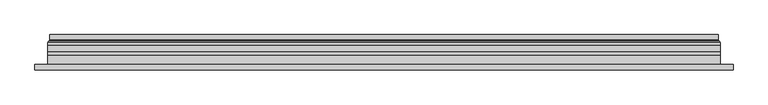
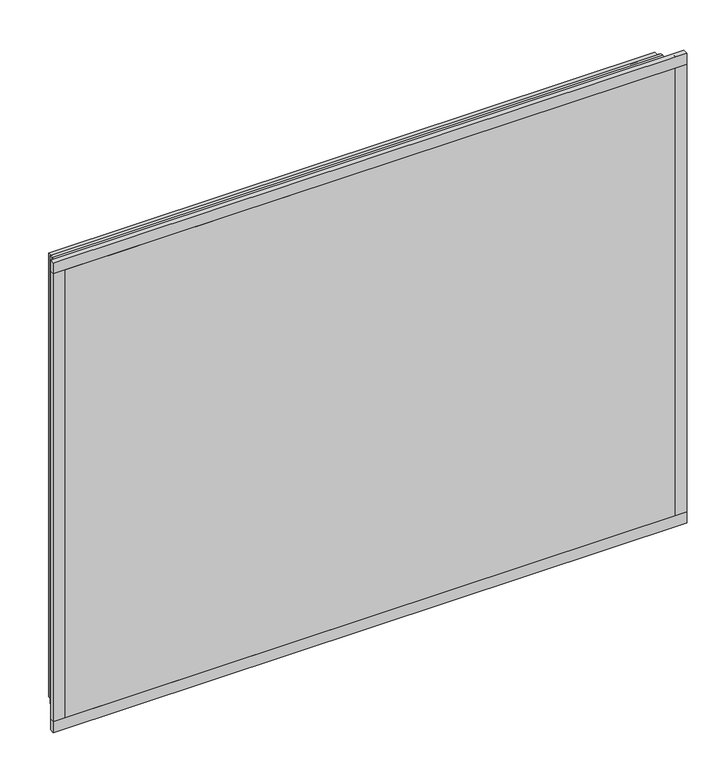
"""IFC4 building model written with IfcOpenShell, lengths in millimetres: plate geometry."""

import ifcopenshell
import ifcopenshell.guid

model = None  # the IFC model being written
_history = None  # IfcOwnerHistory: only IFC2X3 demands one
_inside = {}  # id of a spatial element -> (the spatial element, [elements in it])
_under = {}  # id of a project, library or spatial element -> (it, [spatial elements below it])
_declared = {}  # id of a project -> (the project, [libraries it declares])
_typed = {}  # id of a type object -> (the type object, [elements of that type])
_made_of = {}  # id of a material, layer set ... -> (it, [elements and type objects made of it])


def new_model(schema):
    """Start an empty IFC model of exactly this schema.

    Asked for "IFC4X3", IfcOpenShell would pick the latest addendum, in which some entities
    have other attributes; the version numbers below select the first issue.
    IFC2X3 requires an IfcOwnerHistory on every rooted entity: one is made here for all.
    """
    global model, _history
    if schema == "IFC4X3":
        model = ifcopenshell.file(schema_version=(4, 3, 0, 0))
    else:
        model = ifcopenshell.file(schema=schema)
    _inside.clear()
    _under.clear()
    _declared.clear()
    _typed.clear()
    _made_of.clear()
    _history = None
    if model.schema == "IFC2X3":
        org = make("IfcOrganization", Name="unknown")
        user = make(
            "IfcPersonAndOrganization",
            ThePerson=make("IfcPerson", FamilyName="unknown"),
            TheOrganization=org,
        )
        app = make(
            "IfcApplication",
            ApplicationDeveloper=org,
            Version="unknown",
            ApplicationFullName="unknown",
            ApplicationIdentifier="unknown",
        )
        _history = make(
            "IfcOwnerHistory",
            OwningUser=user,
            OwningApplication=app,
            ChangeAction="ADDED",
            CreationDate=0,
        )
    return model


def make(cls, **values):
    """One entity of the class cls with the attributes given. An attribute that is None is left unset."""
    return model.create_entity(
        cls, **{name: value for name, value in values.items() if value is not None}
    )


def rooted(cls, **values):
    """An entity with a GlobalId (a new one), such as an element, a storey or a relation."""
    return make(cls, GlobalId=ifcopenshell.guid.new(), OwnerHistory=_history, **values)


def si_unit(unit_type, name, prefix=None):
    """IfcSIUnit, for example si_unit("LENGTHUNIT", "METRE", prefix="MILLI")."""
    return make("IfcSIUnit", UnitType=unit_type, Prefix=prefix, Name=name)


def assignment(units):
    """IfcUnitAssignment: the units of a project."""
    return None if units is None else make("IfcUnitAssignment", Units=units)


def point(xyz):
    """IfcCartesianPoint."""
    return None if xyz is None else make("IfcCartesianPoint", Coordinates=xyz)


def direction(xyz):
    """IfcDirection."""
    return None if xyz is None else make("IfcDirection", DirectionRatios=xyz)


def frame(location, z_axis=None, x_axis=None):
    """IfcAxis2Placement3D, a coordinate frame: its origin and axes. An axis left out is left unset."""
    return make(
        "IfcAxis2Placement3D",
        Location=point(location),
        Axis=direction(z_axis),
        RefDirection=direction(x_axis),
    )


def origin():
    """The frame at (0, 0, 0) with its axes left unset."""
    return frame((0.0, 0.0, 0.0))


def place(relative_to, where):
    """IfcLocalPlacement: puts the frame where relative to a parent placement (None: the world)."""
    return make(
        "IfcLocalPlacement", PlacementRelTo=relative_to, RelativePlacement=where
    )


def context(
    kind, dimensions, precision=None, world=None, true_north=None, identifier=None
):
    """IfcGeometricRepresentationContext, for example the 3D "Model" context."""
    return make(
        "IfcGeometricRepresentationContext",
        ContextIdentifier=identifier,
        ContextType=kind,
        CoordinateSpaceDimension=dimensions,
        Precision=precision,
        WorldCoordinateSystem=world,
        TrueNorth=true_north,
    )


def project(units=None, contexts=None):
    """IfcProject with its units and contexts."""
    return rooted(
        "IfcProject",
        Name="project",
        RepresentationContexts=contexts,
        UnitsInContext=assignment(units),
    )


def spatial(cls, under=None, at=None, **own):
    """A site, building, storey or space (cls), placed at a placement, below another one or the project."""
    s = rooted(cls, ObjectPlacement=at, **own)
    if under is not None:
        _under.setdefault(under.id(), (under, []))[1].append(s)
    return s


def polyline(points):
    """IfcPolyline through the points."""
    return make("IfcPolyline", Points=[point(p) for p in points])


def ellipse_curve(where, semi_axis1, semi_axis2):
    """IfcEllipse in the frame where."""
    return make(
        "IfcEllipse", Position=where, SemiAxis1=semi_axis1, SemiAxis2=semi_axis2
    )


def outline(outer, holes=None, kind="AREA"):
    """IfcArbitraryClosedProfileDef: a profile drawn as a closed curve; with holes, ...WithVoids."""
    if holes is None:
        return make("IfcArbitraryClosedProfileDef", ProfileType=kind, OuterCurve=outer)
    return make(
        "IfcArbitraryProfileDefWithVoids",
        ProfileType=kind,
        OuterCurve=outer,
        InnerCurves=holes,
    )


def extrude(swept, where, along, depth):
    """IfcExtrudedAreaSolid: the profile swept, set in the frame where, extruded along a direction by depth."""
    return make(
        "IfcExtrudedAreaSolid",
        SweptArea=swept,
        Position=where,
        ExtrudedDirection=direction(along),
        Depth=depth,
    )


def shape(context_of_items, identifier, shape_type, items):
    """IfcShapeRepresentation: the items that make up one representation, for example the "Body"."""
    return make(
        "IfcShapeRepresentation",
        ContextOfItems=context_of_items,
        RepresentationIdentifier=identifier,
        RepresentationType=shape_type,
        Items=items,
    )


def source(mapping_origin, context_of_items, identifier, shape_type, items):
    """IfcRepresentationMap: a shape defined once, which mapped items show again and again."""
    return make(
        "IfcRepresentationMap",
        MappingOrigin=mapping_origin,
        MappedRepresentation=shape(context_of_items, identifier, shape_type, items),
    )


def transform(
    local_origin,
    x_axis=None,
    y_axis=None,
    z_axis=None,
    scale=None,
    scale2=None,
    scale3=None,
    uniform=True,
):
    """IfcCartesianTransformationOperator3D, or its non-uniform kind. x_axis, y_axis, z_axis: its Axis1, 2, 3."""
    if uniform:
        return make(
            "IfcCartesianTransformationOperator3D",
            Axis1=direction(x_axis),
            Axis2=direction(y_axis),
            LocalOrigin=point(local_origin),
            Scale=scale,
            Axis3=direction(z_axis),
        )
    return make(
        "IfcCartesianTransformationOperator3DnonUniform",
        Axis1=direction(x_axis),
        Axis2=direction(y_axis),
        LocalOrigin=point(local_origin),
        Scale=scale,
        Axis3=direction(z_axis),
        Scale2=scale2,
        Scale3=scale3,
    )


def mapped(mapping_source, mapping_target):
    """IfcMappedItem: shows the shape of a source again, moved by a transform."""
    return make(
        "IfcMappedItem", MappingSource=mapping_source, MappingTarget=mapping_target
    )


def made_of(thing, what):
    """Note that an element or type object is made of a material, layer set ...; save() writes the relation."""
    if what is not None:
        _made_of.setdefault(what.id(), (what, []))[1].append(thing)
    return thing


def element(
    cls,
    number,
    at=None,
    inside=None,
    cuts=None,
    type_object=None,
    material=None,
    context=None,
    identifier="Body",
    shape_type=None,
    held_by="IfcProductDefinitionShape",
    body=None,
    shapes=None,
    **own,
):
    """One element of the class cls, such as IfcWall. Its Tag is "e" and its number.

    at: its placement. inside: the storey or other place that contains it. cuts: it is an
    opening in that element (IfcRelVoidsElement). A single representation is given by context,
    identifier, shape_type and body (its items); several are given by shapes. held_by: the class
    of the entity that holds the representations. save() writes the other relations.
    """
    e = rooted(cls, Tag="e%d" % number, ObjectPlacement=at, **own)
    if body is not None:
        shapes = [shape(context, identifier, shape_type, body)]
    if shapes is not None:
        e.Representation = make(held_by, Representations=shapes)
    if inside is not None:
        _inside.setdefault(inside.id(), (inside, []))[1].append(e)
    if cuts is not None:
        rooted(
            "IfcRelVoidsElement", RelatingBuildingElement=cuts, RelatedOpeningElement=e
        )
    if type_object is not None:
        _typed.setdefault(type_object.id(), (type_object, []))[1].append(e)
    return made_of(e, material)


def aggregate(whole, parts):
    """IfcRelAggregates: a whole, such as a stair, and the parts it consists of."""
    return rooted("IfcRelAggregates", RelatingObject=whole, RelatedObjects=parts)


def save(model, path):
    """Write the relations noted so far, then the file.

    IfcRelAggregates (storeys below a building ...), IfcRelContainedInSpatialStructure (elements
    in a storey), IfcRelDefinesByType, IfcRelAssociatesMaterial and IfcRelDeclares: one each for
    every whole, place, type object, material and project.
    """
    for whole, parts in _under.values():
        aggregate(whole, parts)
    for where, things in _inside.values():
        rooted(
            "IfcRelContainedInSpatialStructure",
            RelatedElements=things,
            RelatingStructure=where,
        )
    for kind, things in _typed.values():
        rooted("IfcRelDefinesByType", RelatedObjects=things, RelatingType=kind)
    for what, things in _made_of.values():
        rooted("IfcRelAssociatesMaterial", RelatedObjects=things, RelatingMaterial=what)
    for by, libraries in _declared.values():
        rooted("IfcRelDeclares", RelatingContext=by, RelatedDefinitions=libraries)
    model.write(path)


def plane_surface(at):
    """IfcPlane: the flat surface through the origin of the frame at, square to its z axis."""
    return make("IfcPlane", Position=at)


def cylinder_surface(at, radius):
    """IfcCylindricalSurface: all points at the distance radius from the z axis of the frame at."""
    return make("IfcCylindricalSurface", Position=at, Radius=radius)


def revolved_surface(curve, axis_point, axis_direction):
    """IfcSurfaceOfRevolution: the curve turned about the line through axis_point along axis_direction."""
    return make(
        "IfcSurfaceOfRevolution",
        SweptCurve=make("IfcArbitraryOpenProfileDef", ProfileType="CURVE", Curve=curve),
        AxisPosition=make("IfcAxis1Placement", Location=point(axis_point), Axis=direction(axis_direction)),
    )


def advanced_brep(points, edges, surfaces, faces):
    """IfcAdvancedBrep: a solid bounded by faces that lie on surfaces and meet in shared edges.

    An edge is (start, end): straight between two places in points (the first is 0);
    or (start, end, curve); or (start, end, curve, False) where it runs against its curve.
    A face is (place in surfaces, loops), or (place, loops, False) where it looks against
    its surface's normal. A loop lists edges by number (the first is 1), with a minus sign
    where the edge is run from its end to its start. The first loop is the outer one.
    """
    corners = [point(p) for p in points]
    vertices = [make("IfcVertexPoint", VertexGeometry=c) for c in corners]
    made = []
    for start, end, *more in edges:
        made.append(
            make(
                "IfcEdgeCurve",
                EdgeStart=vertices[start],
                EdgeEnd=vertices[end],
                EdgeGeometry=more[0] if more else make("IfcPolyline", Points=[corners[start], corners[end]]),
                SameSense=more[1] if len(more) > 1 else True,
            )
        )
    hull = []
    for where, loops, *sense in faces:
        bounds = []
        for j, loop in enumerate(loops):
            ring = [make("IfcOrientedEdge", EdgeElement=made[abs(k) - 1], Orientation=k > 0) for k in loop]
            bounds.append(
                make(
                    "IfcFaceOuterBound" if j == 0 else "IfcFaceBound",
                    Bound=make("IfcEdgeLoop", EdgeList=ring),
                    Orientation=True,
                )
            )
        hull.append(make("IfcAdvancedFace", Bounds=bounds, FaceSurface=surfaces[where], SameSense=sense[0] if sense else True))
    return make("IfcAdvancedBrep", Outer=make("IfcClosedShell", CfsFaces=hull))


def plate_3d47387c(model_context):
    return source(origin(), model_context, "Body", "SolidModel", [
        extrude(outline(polyline([(33.5, -591.5), (33.5, 591.5), (941.5, 591.5), (941.5, -591.5), (33.5, -591.5)]), holes=[polyline([(38.5, 586.5), (38.5, -586.5), (936.5, -586.5), (936.5, 586.5), (38.5, 586.5)])]), frame((0.0, 0.0, 0.0), z_axis=(0.0, 1.0, 0.0), x_axis=(0.0, 0.0, 1.0)), (0.0, 0.0, 1.0), 12.0),
        extrude(outline(polyline([(11.5, -613.5), (11.5, 613.5), (963.5, 613.5), (963.5, -613.5), (11.5, -613.5)]), holes=[polyline([(33.5, 591.5), (33.5, -591.5), (941.5, -591.5), (941.5, 591.5), (33.5, 591.5)])]), frame((0.0, -26.0, 0.0), z_axis=(0.0, 1.0, 0.0), x_axis=(0.0, 0.0, 1.0)), (0.0, 0.0, 1.0), 20.0),
        extrude(outline(polyline([(11.5, -613.5), (11.5, 613.5), (963.5, 613.5), (963.5, -613.5), (11.5, -613.5)]), holes=[polyline([(33.5, 591.5), (33.5, -591.5), (941.5, -591.5), (941.5, 591.5), (33.5, 591.5)])]), frame((0.0, -26.0, 0.0), z_axis=(0.0, 1.0, 0.0), x_axis=(0.0, 0.0, 1.0)), (0.0, 0.0, 1.0), 20.0),
        extrude(outline(polyline([(613.5, -6.0), (-613.5, -6.0), (-613.5, 0.0), (613.5, 0.0), (613.5, -6.0)])), frame((0.0, 0.0, 11.5), z_axis=(0.0, 0.0, 1.0), x_axis=(1.0, 0.0, 0.0)), (0.0, 0.0, 1.0), 952.0),
        extrude(outline(polyline([(636.5, -32.0), (-636.5, -32.0), (-636.5, -22.51), (636.5, -22.51), (636.5, -32.0)])), frame((0.0, 0.0, -11.5), z_axis=(0.0, 0.0, 1.0), x_axis=(1.0, 0.0, 0.0)), (0.0, 0.0, 1.0), 23.0),
        extrude(outline(polyline([(636.5, -32.0), (-636.5, -32.0), (-636.5, -22.51), (636.5, -22.51), (636.5, -32.0)])), frame((0.0, 0.0, 963.5), z_axis=(0.0, 0.0, 1.0), x_axis=(1.0, 0.0, 0.0)), (0.0, 0.0, 1.0), 23.0),
        extrude(outline(polyline([(-636.5, -32.0), (-636.5, -22.51), (-613.5, -22.51), (-613.5, -32.0), (-636.5, -32.0)])), frame((0.0, 0.0, -11.5), z_axis=(0.0, 0.0, 1.0), x_axis=(1.0, 0.0, 0.0)), (0.0, 0.0, 1.0), 998.0),
        extrude(outline(polyline([(636.5, -32.0), (613.5, -32.0), (613.5, -22.51), (636.5, -22.51), (636.5, -32.0)])), frame((0.0, 0.0, -11.5), z_axis=(0.0, 0.0, 1.0), x_axis=(1.0, 0.0, 0.0)), (0.0, 0.0, 1.0), 998.0),
        extrude(outline(polyline([(11.5, -613.5), (11.5, 613.5), (963.5, 613.5), (963.5, -613.5), (11.5, -613.5)]), holes=[polyline([(33.5, 591.5), (33.5, -591.5), (941.5, -591.5), (941.5, 591.5), (33.5, 591.5)])]), frame((0.0, 0.0, 0.0), z_axis=(0.0, 1.0, 0.0), x_axis=(0.0, 0.0, 1.0)), (0.0, 0.0, 1.0), 12.0),
        extrude(outline(polyline([(33.5, -591.5), (33.5, 591.5), (941.5, 591.5), (941.5, -591.5), (33.5, -591.5)]), holes=[polyline([(38.5, 586.5), (38.5, -586.5), (936.5, -586.5), (936.5, 586.5), (38.5, 586.5)])]), frame((0.0, -26.0, 0.0), z_axis=(0.0, 1.0, 0.0), x_axis=(0.0, 0.0, 1.0)), (0.0, 0.0, 1.0), 20.0),
        extrude(outline(polyline([(613.5, 18.0), (613.5, 12.0), (-613.5, 12.0), (-613.5, 18.0), (613.5, 18.0)])), frame((0.0, 0.0, 11.5), z_axis=(0.0, 0.0, 1.0), x_axis=(1.0, 0.0, 0.0)), (0.0, 0.0, 1.0), 952.0),
        extrude(outline(polyline([(-613.5, -32.0), (-613.5, -26.0), (613.5, -26.0), (613.5, -32.0), (-613.5, -32.0)])), frame((0.0, 0.0, 11.5), z_axis=(0.0, 0.0, 1.0), x_axis=(1.0, 0.0, 0.0)), (0.0, 0.0, 1.0), 952.0),
        advanced_brep(
        [(600.0000103, 32.0, 24.9999897), (-600.0000103, 32.0, 24.9999897), (-600.0000103, 21.9110895, 24.9999897), (600.0000103, 21.9110895, 24.9999897), (608.9986526, 23.3044663, 16.0013474), (-608.9986526, 23.3044663, 16.0013474), (-608.9986526, 32.0, 16.0013474), (608.9986526, 32.0, 16.0013474), (610.6689727, 20.9442833, 14.3310273), (-610.6689727, 20.9442833, 14.3310273), (610.2544044, 18.0034569, 14.7455956), (-610.2544044, 18.0034569, 14.7455956), (599.0620948, 20.2163959, 25.9379052), (-599.0620948, 20.2163959, 25.9379052), (-599.6992268, 18.0000006, 25.3007732), (599.6992268, 18.0000006, 25.3007732), (-600.0000103, 32.0, 950.0000103), (-600.0000103, 21.9110895, 950.0000103), (-608.9986526, 23.3044663, 958.9986526), (-608.9986526, 32.0, 958.9986526), (-610.6689727, 20.9442833, 960.6689727), (-610.2544044, 18.0034569, 960.2544044), (-599.0620948, 20.2163959, 949.0620948), (-599.6992268, 18.0000006, 949.6992268), (600.0000103, 32.0, 950.0000103), (600.0000103, 21.9110895, 950.0000103), (608.9986526, 23.3044663, 958.9986526), (608.9986526, 32.0, 958.9986526), (610.6689727, 20.9442833, 960.6689727), (610.2544044, 18.0034569, 960.2544044), (599.0620948, 20.2163959, 949.0620948), (599.6992268, 18.0000006, 949.6992268)],
        [
            (0, 1),
            (1, 2),
            (2, 3),
            (3, 0),
            (4, 5),
            (5, 6),
            (6, 7),
            (7, 4),
            (8, 9),
            (9, 5, ellipse_curve(frame((-611.3086832, 23.1681522, 13.6913168), z_axis=(-0.7071067811865475, 0.0, 0.7071067811865475), x_axis=(-0.7071067811865476, 0.0, -0.7071067811865474)), 3.2725594, 2.314049)),
            (4, 8, ellipse_curve(frame((611.3086832, 23.1681522, 13.6913168), z_axis=(0.7071067811865475, 0.0, 0.7071067811865475), x_axis=(-0.7071067811865476, 0.0, 0.7071067811865474)), 3.2725594, 2.314049)),
            (10, 11),
            (11, 9, ellipse_curve(frame((-610.2544044, 19.5030909, 14.7455956), z_axis=(0.7071067811865475, 0.0, -0.7071067811865475), x_axis=(0.7071067811865476, 0.0, 0.7071067811865474)), 2.1208028, 1.4996341)),
            (8, 10, ellipse_curve(frame((610.2544044, 19.5030909, 14.7455956), z_axis=(-0.7071067811865475, 0.0, -0.7071067811865475), x_axis=(0.7071067811865476, 0.0, -0.7071067811865474)), 2.1208028, 1.4996341)),
            (12, 13),
            (13, 14, ellipse_curve(frame((-599.6992268, 19.1997743, 25.3007732), z_axis=(0.7071067811865475, 0.0, -0.7071067811865475), x_axis=(0.7071067811865476, 0.0, 0.7071067811865474)), 1.6967361, 1.1997736)),
            (14, 15),
            (15, 12, ellipse_curve(frame((599.6992268, 19.1997743, 25.3007732), z_axis=(-0.7071067811865475, 0.0, -0.7071067811865475), x_axis=(0.7071067811865476, 0.0, -0.7071067811865474)), 1.6967361, 1.1997736)),
            (2, 13, ellipse_curve(frame((-598.0000051, 21.9110895, 26.9999949), z_axis=(-0.7071067811865475, 0.0, 0.7071067811865475), x_axis=(-0.7071067811865476, 0.0, -0.7071067811865474)), 2.8284345, 2.0000052)),
            (12, 3, ellipse_curve(frame((598.0000051, 21.9110895, 26.9999949), z_axis=(0.7071067811865475, 0.0, 0.7071067811865475), x_axis=(-0.7071067811865476, 0.0, 0.7071067811865474)), 2.8284345, 2.0000052)),
            (1, 16),
            (16, 17),
            (17, 2),
            (5, 18),
            (18, 19),
            (19, 6),
            (9, 20),
            (20, 18, ellipse_curve(frame((-611.3086832, 23.1681522, 961.3086832), z_axis=(0.7071067811865475, 0.0, 0.7071067811865475), x_axis=(-0.7071067811865474, 0.0, 0.7071067811865476)), 3.2725594, 2.314049)),
            (11, 21),
            (21, 20, ellipse_curve(frame((-610.2544044, 19.5030909, 960.2544044), z_axis=(-0.7071067811865475, 0.0, -0.7071067811865475), x_axis=(0.7071067811865474, 0.0, -0.7071067811865476)), 2.1208028, 1.4996341)),
            (13, 22),
            (22, 23, ellipse_curve(frame((-599.6992268, 19.1997743, 949.6992268), z_axis=(-0.7071067811865475, 0.0, -0.7071067811865475), x_axis=(0.7071067811865474, 0.0, -0.7071067811865476)), 1.6967361, 1.1997736)),
            (23, 14),
            (17, 22, ellipse_curve(frame((-598.0000051, 21.9110895, 948.0000051), z_axis=(0.7071067811865475, 0.0, 0.7071067811865475), x_axis=(-0.7071067811865474, 0.0, 0.7071067811865476)), 2.8284345, 2.0000052)),
            (16, 24),
            (24, 25),
            (25, 17),
            (18, 26),
            (26, 27),
            (27, 19),
            (20, 28),
            (28, 26, ellipse_curve(frame((611.3086832, 23.1681522, 961.3086832), z_axis=(0.7071067811865475, 0.0, -0.7071067811865475), x_axis=(0.7071067811865476, 0.0, 0.7071067811865474)), 3.2725594, 2.314049)),
            (21, 29),
            (29, 28, ellipse_curve(frame((610.2544044, 19.5030909, 960.2544044), z_axis=(-0.7071067811865475, 0.0, 0.7071067811865475), x_axis=(-0.7071067811865476, 0.0, -0.7071067811865474)), 2.1208028, 1.4996341)),
            (22, 30),
            (30, 31, ellipse_curve(frame((599.6992268, 19.1997743, 949.6992268), z_axis=(-0.7071067811865475, 0.0, 0.7071067811865475), x_axis=(-0.7071067811865476, 0.0, -0.7071067811865474)), 1.6967361, 1.1997736)),
            (31, 23),
            (25, 30, ellipse_curve(frame((598.0000051, 21.9110895, 948.0000051), z_axis=(0.7071067811865475, 0.0, -0.7071067811865475), x_axis=(0.7071067811865476, 0.0, 0.7071067811865474)), 2.8284345, 2.0000052)),
            (24, 0),
            (3, 25),
            (26, 4),
            (7, 27),
            (28, 8),
            (29, 10),
            (31, 15),
            (30, 12),
        ],
        [
            plane_surface(frame((600.0000103, 21.9110895, 24.9999897), z_axis=(0.0, 0.0, 1.0), x_axis=(-1.0, 0.0, 0.0))),
            plane_surface(frame((608.9986526, 32.0, 16.0013474), z_axis=(0.0, 0.0, -1.0), x_axis=(-1.0, 0.0, 0.0))),
            revolved_surface(polyline([(-613.6227321435756, 25.482201200000002, 13.6913168), (613.6227321435758, 25.482201200000002, 13.6913168)]), (600.0, 23.1681522, 13.6913168), (-1.0, 0.0, 0.0)),
            cylinder_surface(frame((600.0, 19.5030909, 14.7455956), z_axis=(1.0, 0.0, 0.0), x_axis=(0.0, 1.0, 0.0)), 1.4996341),
            cylinder_surface(frame((600.0, 19.1997743, 25.3007732), z_axis=(1.0, 0.0, 0.0), x_axis=(0.0, 1.0, 0.0)), 1.1997736),
            revolved_surface(polyline([(-600.0000103150919, 23.9110947, 26.9999949), (600.0000103150919, 23.9110947, 26.9999949)]), (600.0, 21.9110895, 26.9999949), (-1.0, 0.0, 0.0)),
            plane_surface(frame((-600.0000103, 21.9110895, 24.9999897), z_axis=(1.0, 0.0, 0.0), x_axis=(0.0, 0.0, 1.0))),
            plane_surface(frame((-608.9986526, 32.0, 16.0013474), z_axis=(-1.0, 0.0, 0.0), x_axis=(0.0, 0.0, 1.0))),
            revolved_surface(polyline([(-611.3086832, 25.482201200000002, 963.6227321435758), (-611.3086832, 25.482201200000002, 11.37726785642422)]), (-611.3086832, 23.1681522, 25.0), (0.0, 0.0, 1.0)),
            cylinder_surface(frame((-610.2544044, 19.5030909, 25.0), z_axis=(0.0, 0.0, -1.0), x_axis=(0.0, 1.0, 0.0)), 1.4996341),
            cylinder_surface(frame((-599.6992268, 19.1997743, 25.0), z_axis=(0.0, 0.0, -1.0), x_axis=(0.0, 1.0, 0.0)), 1.1997736),
            revolved_surface(polyline([(-598.0000051, 23.9110947, 950.0000103150919), (-598.0000051, 23.9110947, 24.99998968490802)]), (-598.0000051, 21.9110895, 25.0), (0.0, 0.0, 1.0)),
            plane_surface(frame((-600.0000103, 21.9110895, 950.0000103), z_axis=(0.0, 0.0, -1.0), x_axis=(1.0, 0.0, 0.0))),
            plane_surface(frame((-608.9986526, 32.0, 958.9986526), z_axis=(0.0, 0.0, 1.0), x_axis=(1.0, 0.0, 0.0))),
            revolved_surface(polyline([(613.6227321435756, 25.482201200000002, 961.3086832), (-613.6227321435758, 25.482201200000002, 961.3086832)]), (-600.0, 23.1681522, 961.3086832), (1.0, 0.0, 0.0)),
            cylinder_surface(frame((-600.0, 19.5030909, 960.2544044), z_axis=(-1.0, 0.0, 0.0), x_axis=(0.0, 1.0, 0.0)), 1.4996341),
            cylinder_surface(frame((-600.0, 19.1997743, 949.6992268), z_axis=(-1.0, 0.0, 0.0), x_axis=(0.0, 1.0, 0.0)), 1.1997736),
            revolved_surface(polyline([(600.0000103150919, 23.9110947, 948.0000051), (-600.0000103150919, 23.9110947, 948.0000051)]), (-600.0, 21.9110895, 948.0000051), (1.0, 0.0, 0.0)),
            plane_surface(frame((600.0000103, 21.9110895, 950.0000103), z_axis=(-1.0, 0.0, 0.0), x_axis=(0.0, 0.0, -1.0))),
            plane_surface(frame((608.9986526, 32.0, 958.9986526), z_axis=(1.0, 0.0, 0.0), x_axis=(0.0, 0.0, -1.0))),
            revolved_surface(polyline([(611.3086832, 25.482201200000002, 11.377267856424169), (611.3086832, 25.482201200000002, 963.6227321435758)]), (611.3086832, 23.1681522, 950.0), (0.0, 0.0, -1.0)),
            cylinder_surface(frame((610.2544044, 19.5030909, 950.0), z_axis=(0.0, 0.0, 1.0), x_axis=(0.0, 1.0, 0.0)), 1.4996341),
            plane_surface(frame((610.2544044, 18.0000006, 960.2544044), z_axis=(0.0, -1.0, 0.0), x_axis=(0.0, 0.0, -1.0))),
            cylinder_surface(frame((599.6992268, 19.1997743, 950.0), z_axis=(0.0, 0.0, 1.0), x_axis=(0.0, 1.0, 0.0)), 1.1997736),
            revolved_surface(polyline([(598.0000051, 23.9110947, 24.999989684908087), (598.0000051, 23.9110947, 950.0000103150919)]), (598.0000051, 21.9110895, 950.0), (0.0, 0.0, -1.0)),
            plane_surface(frame((600.0000103, 32.0, 950.0000103), z_axis=(0.0, 1.0, 0.0), x_axis=(0.0, 0.0, -1.0))),
        ],
        [
            (0, [[1, 2, 3, 4]]),
            (1, [[5, 6, 7, 8]]),
            (2, [[9, 10, -5, 11]]),
            (3, [[12, 13, -9, 14]]),
            (4, [[15, 16, 17, 18]]),
            (5, [[-3, 19, -15, 20]]),
            (6, [[21, 22, 23, -2]]),
            (7, [[24, 25, 26, -6]]),
            (8, [[27, 28, -24, -10]]),
            (9, [[29, 30, -27, -13]]),
            (10, [[31, 32, 33, -16]]),
            (11, [[-23, 34, -31, -19]]),
            (12, [[35, 36, 37, -22]]),
            (13, [[38, 39, 40, -25]]),
            (14, [[41, 42, -38, -28]]),
            (15, [[43, 44, -41, -30]]),
            (16, [[45, 46, 47, -32]]),
            (17, [[-37, 48, -45, -34]]),
            (18, [[49, -4, 50, -36]]),
            (19, [[51, -8, 52, -39]]),
            (20, [[53, -11, -51, -42]]),
            (21, [[54, -14, -53, -44]]),
            (22, [[-12, -54, -43, -29], [-17, -33, -47, 55]]),
            (23, [[56, -18, -55, -46]]),
            (24, [[-50, -20, -56, -48]]),
            (25, [[-7, -26, -40, -52], [-1, -49, -35, -21]]),
        ],
    ),
    ])


if __name__ == "__main__":
    model = new_model("IFC4")
    model_context = context("Model", 3, world=origin())
    ifc_project = project(units=[si_unit("LENGTHUNIT", "METRE", prefix="MILLI")], contexts=[model_context])
    site = spatial("IfcSite", under=ifc_project)
    building = spatial("IfcBuilding", under=site)
    placement = place(None, origin())
    plate_shape = plate_3d47387c(model_context)
    element("IfcPlate", 1, at=placement, inside=building, context=model_context, shape_type="MappedRepresentation", body=[
        mapped(plate_shape, transform((0.0, 0.0, 0.0), x_axis=(1.0, 0.0, 0.0), y_axis=(0.0, 1.0, 0.0), z_axis=(0.0, 0.0, 1.0))),
    ])
    save(model, "model.ifc")
